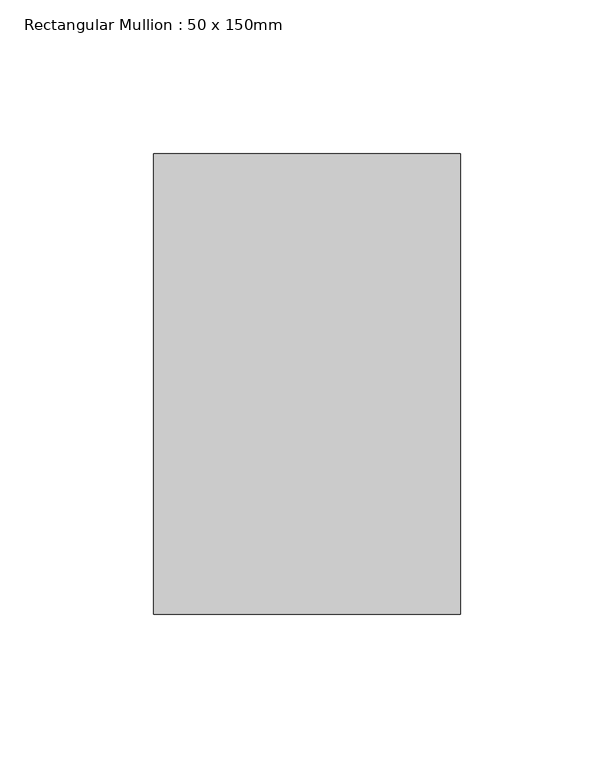
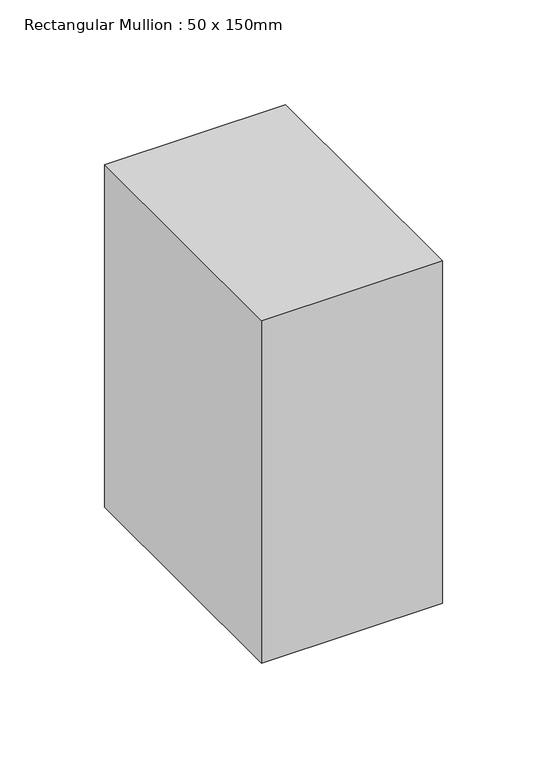
"""IFC4 building model written with IfcOpenShell, lengths in millimetres: member geometry, Rectangular Mullion : 50 x 150mm."""

from ifc_helpers import new_model, si_unit, frame, origin, place, context, project, spatial, polyline, outline, extrude, source, transform, mapped, element, save


def rectangular_mullion_50_x_150mm_9ce24b9f(model_context):
    return source(origin(), model_context, "Body", "SweptSolid", [
        extrude(outline(polyline([(50.0, 75.0), (50.0, -75.0), (-50.0, -75.0), (-50.0, 75.0), (50.0, 75.0)])), frame((0.0, 0.0, -200.0), z_axis=(0.0, 0.0, 1.0), x_axis=(1.0, 0.0, 0.0)), (0.0, 0.0, 1.0), 200.0),
    ])


if __name__ == "__main__":
    model = new_model("IFC4")
    model_context = context("Model", 3, world=origin())
    ifc_project = project(units=[si_unit("LENGTHUNIT", "METRE", prefix="MILLI")], contexts=[model_context])
    site = spatial("IfcSite", under=ifc_project)
    building = spatial("IfcBuilding", under=site)
    placement = place(None, origin())
    rectangular_mullion_50_x_150mm_shape = rectangular_mullion_50_x_150mm_9ce24b9f(model_context)
    element("IfcMember", 1, ObjectType="Rectangular Mullion : 50 x 150mm", at=placement, inside=building, context=model_context, shape_type="MappedRepresentation", body=[
        mapped(rectangular_mullion_50_x_150mm_shape, transform((0.0, 0.0, 0.0), x_axis=(1.0, 0.0, 0.0), y_axis=(0.0, 1.0, 0.0), z_axis=(0.0, 0.0, 1.0))),
    ])
    save(model, "model.ifc")
